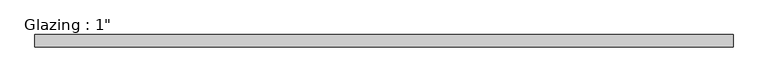
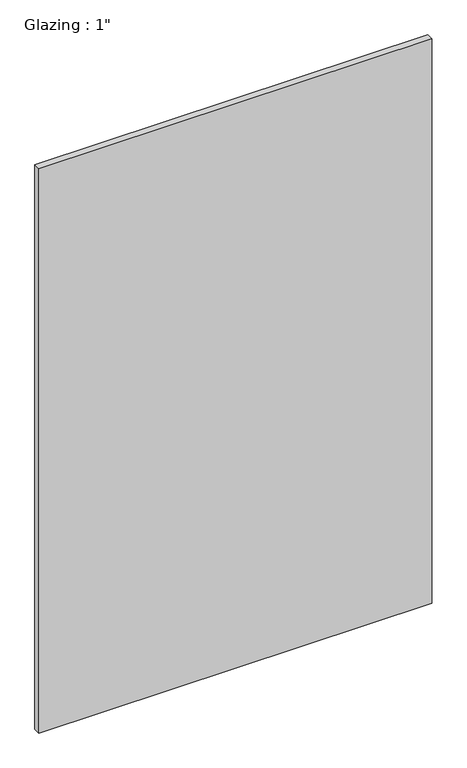
"""IFC4 building model written with IfcOpenShell, lengths in millimetres: plate geometry."""

from ifc_helpers import new_model, si_unit, origin, origin_with_axes, place, context, project, spatial, polyline, outline, extrude, source, transform, mapped, element, save


def plate_e53fb0f3(model_context):
    return source(origin(), model_context, "Body", "SweptSolid", [
        extrude(outline(polyline([(717.0507144, -12.7), (-717.0507144, -12.7), (-717.0507144, 12.7), (717.0507144, 12.7), (717.0507144, -12.7)])), origin_with_axes(), (0.0, 0.0, 1.0), 2177.9425731),
    ])


if __name__ == "__main__":
    model = new_model("IFC4")
    model_context = context("Model", 3, world=origin())
    ifc_project = project(units=[si_unit("LENGTHUNIT", "METRE", prefix="MILLI")], contexts=[model_context])
    site = spatial("IfcSite", under=ifc_project)
    building = spatial("IfcBuilding", under=site)
    placement = place(None, origin())
    plate_shape = plate_e53fb0f3(model_context)
    element("IfcPlate", 1, ObjectType="Glazing : 1\"", at=placement, inside=building, context=model_context, shape_type="MappedRepresentation", body=[
        mapped(plate_shape, transform((0.0, 0.0, 0.0), x_axis=(1.0, 0.0, 0.0), y_axis=(0.0, 1.0, 0.0), z_axis=(0.0, 0.0, 1.0))),
    ])
    save(model, "model.ifc")
